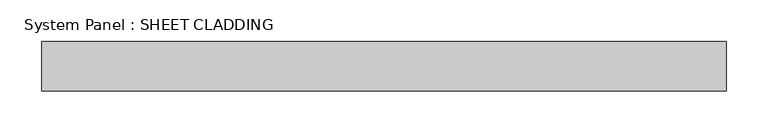
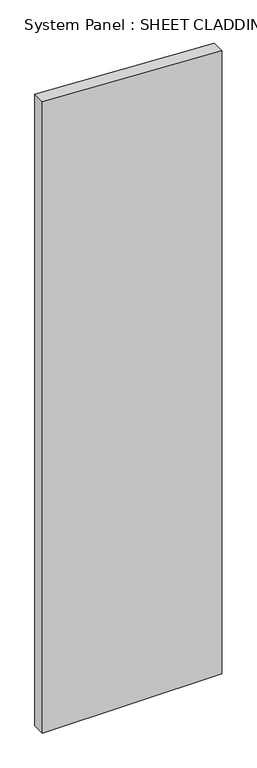
"""IFC4 building model written with IfcOpenShell, lengths in millimetres: plate geometry, System Panel : SHEET CLADDING."""

import ifcopenshell
import ifcopenshell.guid

model = None  # the IFC model being written
_history = None  # IfcOwnerHistory: only IFC2X3 demands one
_inside = {}  # id of a spatial element -> (the spatial element, [elements in it])
_under = {}  # id of a project, library or spatial element -> (it, [spatial elements below it])
_declared = {}  # id of a project -> (the project, [libraries it declares])
_typed = {}  # id of a type object -> (the type object, [elements of that type])
_made_of = {}  # id of a material, layer set ... -> (it, [elements and type objects made of it])


def new_model(schema):
    """Start an empty IFC model of exactly this schema.

    Asked for "IFC4X3", IfcOpenShell would pick the latest addendum, in which some entities
    have other attributes; the version numbers below select the first issue.
    IFC2X3 requires an IfcOwnerHistory on every rooted entity: one is made here for all.
    """
    global model, _history
    if schema == "IFC4X3":
        model = ifcopenshell.file(schema_version=(4, 3, 0, 0))
    else:
        model = ifcopenshell.file(schema=schema)
    _inside.clear()
    _under.clear()
    _declared.clear()
    _typed.clear()
    _made_of.clear()
    _history = None
    if model.schema == "IFC2X3":
        org = make("IfcOrganization", Name="unknown")
        user = make(
            "IfcPersonAndOrganization",
            ThePerson=make("IfcPerson", FamilyName="unknown"),
            TheOrganization=org,
        )
        app = make(
            "IfcApplication",
            ApplicationDeveloper=org,
            Version="unknown",
            ApplicationFullName="unknown",
            ApplicationIdentifier="unknown",
        )
        _history = make(
            "IfcOwnerHistory",
            OwningUser=user,
            OwningApplication=app,
            ChangeAction="ADDED",
            CreationDate=0,
        )
    return model


def make(cls, **values):
    """One entity of the class cls with the attributes given. An attribute that is None is left unset."""
    return model.create_entity(
        cls, **{name: value for name, value in values.items() if value is not None}
    )


def rooted(cls, **values):
    """An entity with a GlobalId (a new one), such as an element, a storey or a relation."""
    return make(cls, GlobalId=ifcopenshell.guid.new(), OwnerHistory=_history, **values)


def si_unit(unit_type, name, prefix=None):
    """IfcSIUnit, for example si_unit("LENGTHUNIT", "METRE", prefix="MILLI")."""
    return make("IfcSIUnit", UnitType=unit_type, Prefix=prefix, Name=name)


def assignment(units):
    """IfcUnitAssignment: the units of a project."""
    return None if units is None else make("IfcUnitAssignment", Units=units)


def point(xyz):
    """IfcCartesianPoint."""
    return None if xyz is None else make("IfcCartesianPoint", Coordinates=xyz)


def direction(xyz):
    """IfcDirection."""
    return None if xyz is None else make("IfcDirection", DirectionRatios=xyz)


def frame(location, z_axis=None, x_axis=None):
    """IfcAxis2Placement3D, a coordinate frame: its origin and axes. An axis left out is left unset."""
    return make(
        "IfcAxis2Placement3D",
        Location=point(location),
        Axis=direction(z_axis),
        RefDirection=direction(x_axis),
    )


def origin():
    """The frame at (0, 0, 0) with its axes left unset."""
    return frame((0.0, 0.0, 0.0))


def place(relative_to, where):
    """IfcLocalPlacement: puts the frame where relative to a parent placement (None: the world)."""
    return make(
        "IfcLocalPlacement", PlacementRelTo=relative_to, RelativePlacement=where
    )


def context(
    kind, dimensions, precision=None, world=None, true_north=None, identifier=None
):
    """IfcGeometricRepresentationContext, for example the 3D "Model" context."""
    return make(
        "IfcGeometricRepresentationContext",
        ContextIdentifier=identifier,
        ContextType=kind,
        CoordinateSpaceDimension=dimensions,
        Precision=precision,
        WorldCoordinateSystem=world,
        TrueNorth=true_north,
    )


def project(units=None, contexts=None):
    """IfcProject with its units and contexts."""
    return rooted(
        "IfcProject",
        Name="project",
        RepresentationContexts=contexts,
        UnitsInContext=assignment(units),
    )


def spatial(cls, under=None, at=None, **own):
    """A site, building, storey or space (cls), placed at a placement, below another one or the project."""
    s = rooted(cls, ObjectPlacement=at, **own)
    if under is not None:
        _under.setdefault(under.id(), (under, []))[1].append(s)
    return s


def polyline(points):
    """IfcPolyline through the points."""
    return make("IfcPolyline", Points=[point(p) for p in points])


def outline(outer, holes=None, kind="AREA"):
    """IfcArbitraryClosedProfileDef: a profile drawn as a closed curve; with holes, ...WithVoids."""
    if holes is None:
        return make("IfcArbitraryClosedProfileDef", ProfileType=kind, OuterCurve=outer)
    return make(
        "IfcArbitraryProfileDefWithVoids",
        ProfileType=kind,
        OuterCurve=outer,
        InnerCurves=holes,
    )


def extrude(swept, where, along, depth):
    """IfcExtrudedAreaSolid: the profile swept, set in the frame where, extruded along a direction by depth."""
    return make(
        "IfcExtrudedAreaSolid",
        SweptArea=swept,
        Position=where,
        ExtrudedDirection=direction(along),
        Depth=depth,
    )


def shape(context_of_items, identifier, shape_type, items):
    """IfcShapeRepresentation: the items that make up one representation, for example the "Body"."""
    return make(
        "IfcShapeRepresentation",
        ContextOfItems=context_of_items,
        RepresentationIdentifier=identifier,
        RepresentationType=shape_type,
        Items=items,
    )


def source(mapping_origin, context_of_items, identifier, shape_type, items):
    """IfcRepresentationMap: a shape defined once, which mapped items show again and again."""
    return make(
        "IfcRepresentationMap",
        MappingOrigin=mapping_origin,
        MappedRepresentation=shape(context_of_items, identifier, shape_type, items),
    )


def transform(
    local_origin,
    x_axis=None,
    y_axis=None,
    z_axis=None,
    scale=None,
    scale2=None,
    scale3=None,
    uniform=True,
):
    """IfcCartesianTransformationOperator3D, or its non-uniform kind. x_axis, y_axis, z_axis: its Axis1, 2, 3."""
    if uniform:
        return make(
            "IfcCartesianTransformationOperator3D",
            Axis1=direction(x_axis),
            Axis2=direction(y_axis),
            LocalOrigin=point(local_origin),
            Scale=scale,
            Axis3=direction(z_axis),
        )
    return make(
        "IfcCartesianTransformationOperator3DnonUniform",
        Axis1=direction(x_axis),
        Axis2=direction(y_axis),
        LocalOrigin=point(local_origin),
        Scale=scale,
        Axis3=direction(z_axis),
        Scale2=scale2,
        Scale3=scale3,
    )


def mapped(mapping_source, mapping_target):
    """IfcMappedItem: shows the shape of a source again, moved by a transform."""
    return make(
        "IfcMappedItem", MappingSource=mapping_source, MappingTarget=mapping_target
    )


def made_of(thing, what):
    """Note that an element or type object is made of a material, layer set ...; save() writes the relation."""
    if what is not None:
        _made_of.setdefault(what.id(), (what, []))[1].append(thing)
    return thing


def element(
    cls,
    number,
    at=None,
    inside=None,
    cuts=None,
    type_object=None,
    material=None,
    context=None,
    identifier="Body",
    shape_type=None,
    held_by="IfcProductDefinitionShape",
    body=None,
    shapes=None,
    **own,
):
    """One element of the class cls, such as IfcWall. Its Tag is "e" and its number.

    at: its placement. inside: the storey or other place that contains it. cuts: it is an
    opening in that element (IfcRelVoidsElement). A single representation is given by context,
    identifier, shape_type and body (its items); several are given by shapes. held_by: the class
    of the entity that holds the representations. save() writes the other relations.
    """
    e = rooted(cls, Tag="e%d" % number, ObjectPlacement=at, **own)
    if body is not None:
        shapes = [shape(context, identifier, shape_type, body)]
    if shapes is not None:
        e.Representation = make(held_by, Representations=shapes)
    if inside is not None:
        _inside.setdefault(inside.id(), (inside, []))[1].append(e)
    if cuts is not None:
        rooted(
            "IfcRelVoidsElement", RelatingBuildingElement=cuts, RelatedOpeningElement=e
        )
    if type_object is not None:
        _typed.setdefault(type_object.id(), (type_object, []))[1].append(e)
    return made_of(e, material)


def aggregate(whole, parts):
    """IfcRelAggregates: a whole, such as a stair, and the parts it consists of."""
    return rooted("IfcRelAggregates", RelatingObject=whole, RelatedObjects=parts)


def save(model, path):
    """Write the relations noted so far, then the file.

    IfcRelAggregates (storeys below a building ...), IfcRelContainedInSpatialStructure (elements
    in a storey), IfcRelDefinesByType, IfcRelAssociatesMaterial and IfcRelDeclares: one each for
    every whole, place, type object, material and project.
    """
    for whole, parts in _under.values():
        aggregate(whole, parts)
    for where, things in _inside.values():
        rooted(
            "IfcRelContainedInSpatialStructure",
            RelatedElements=things,
            RelatingStructure=where,
        )
    for kind, things in _typed.values():
        rooted("IfcRelDefinesByType", RelatedObjects=things, RelatingType=kind)
    for what, things in _made_of.values():
        rooted("IfcRelAssociatesMaterial", RelatedObjects=things, RelatingMaterial=what)
    for by, libraries in _declared.values():
        rooted("IfcRelDeclares", RelatingContext=by, RelatedDefinitions=libraries)
    model.write(path)


def system_panel_sheet_cladding_d094fab6(model_context):
    return source(origin(), model_context, "Body", "SweptSolid", [
        extrude(outline(polyline([(0.0, -412.5), (0.0, 412.5), (3031.35, 412.5), (3072.6, -412.5), (0.0, -412.5)])), frame((0.0, -49.5, 0.0), z_axis=(0.0, 1.0, 0.0), x_axis=(0.0, 0.0, 1.0)), (0.0, 0.0, 1.0), 60.0),
    ])


if __name__ == "__main__":
    model = new_model("IFC4")
    model_context = context("Model", 3, world=origin())
    ifc_project = project(units=[si_unit("LENGTHUNIT", "METRE", prefix="MILLI")], contexts=[model_context])
    site = spatial("IfcSite", under=ifc_project)
    building = spatial("IfcBuilding", under=site)
    placement = place(None, origin())
    system_panel_sheet_cladding_shape = system_panel_sheet_cladding_d094fab6(model_context)
    element("IfcPlate", 1, ObjectType="System Panel : SHEET CLADDING", at=placement, inside=building, context=model_context, shape_type="MappedRepresentation", body=[
        mapped(system_panel_sheet_cladding_shape, transform((0.0, 0.0, 0.0), x_axis=(1.0, 0.0, 0.0), y_axis=(0.0, 1.0, 0.0), z_axis=(0.0, 0.0, 1.0))),
    ])
    save(model, "model.ifc")
